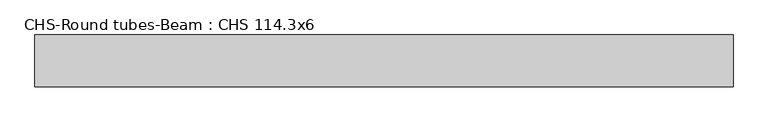
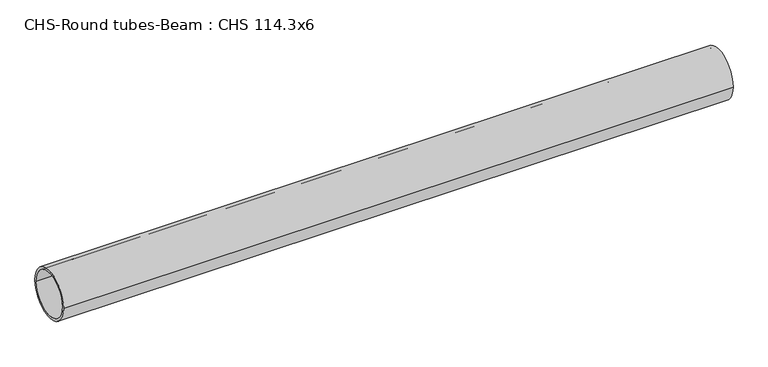
"""IFC4 building model written with IfcOpenShell, lengths in millimetres: beam geometry, CHS-Round tubes-Beam : CHS 114.3x6."""

import ifcopenshell
import ifcopenshell.guid

model = None  # the IFC model being written
_history = None  # IfcOwnerHistory: only IFC2X3 demands one
_inside = {}  # id of a spatial element -> (the spatial element, [elements in it])
_under = {}  # id of a project, library or spatial element -> (it, [spatial elements below it])
_declared = {}  # id of a project -> (the project, [libraries it declares])
_typed = {}  # id of a type object -> (the type object, [elements of that type])
_made_of = {}  # id of a material, layer set ... -> (it, [elements and type objects made of it])


def new_model(schema):
    """Start an empty IFC model of exactly this schema.

    Asked for "IFC4X3", IfcOpenShell would pick the latest addendum, in which some entities
    have other attributes; the version numbers below select the first issue.
    IFC2X3 requires an IfcOwnerHistory on every rooted entity: one is made here for all.
    """
    global model, _history
    if schema == "IFC4X3":
        model = ifcopenshell.file(schema_version=(4, 3, 0, 0))
    else:
        model = ifcopenshell.file(schema=schema)
    _inside.clear()
    _under.clear()
    _declared.clear()
    _typed.clear()
    _made_of.clear()
    _history = None
    if model.schema == "IFC2X3":
        org = make("IfcOrganization", Name="unknown")
        user = make(
            "IfcPersonAndOrganization",
            ThePerson=make("IfcPerson", FamilyName="unknown"),
            TheOrganization=org,
        )
        app = make(
            "IfcApplication",
            ApplicationDeveloper=org,
            Version="unknown",
            ApplicationFullName="unknown",
            ApplicationIdentifier="unknown",
        )
        _history = make(
            "IfcOwnerHistory",
            OwningUser=user,
            OwningApplication=app,
            ChangeAction="ADDED",
            CreationDate=0,
        )
    return model


def make(cls, **values):
    """One entity of the class cls with the attributes given. An attribute that is None is left unset."""
    return model.create_entity(
        cls, **{name: value for name, value in values.items() if value is not None}
    )


def rooted(cls, **values):
    """An entity with a GlobalId (a new one), such as an element, a storey or a relation."""
    return make(cls, GlobalId=ifcopenshell.guid.new(), OwnerHistory=_history, **values)


def si_unit(unit_type, name, prefix=None):
    """IfcSIUnit, for example si_unit("LENGTHUNIT", "METRE", prefix="MILLI")."""
    return make("IfcSIUnit", UnitType=unit_type, Prefix=prefix, Name=name)


def assignment(units):
    """IfcUnitAssignment: the units of a project."""
    return None if units is None else make("IfcUnitAssignment", Units=units)


def point(xyz):
    """IfcCartesianPoint."""
    return None if xyz is None else make("IfcCartesianPoint", Coordinates=xyz)


def direction(xyz):
    """IfcDirection."""
    return None if xyz is None else make("IfcDirection", DirectionRatios=xyz)


def frame(location, z_axis=None, x_axis=None):
    """IfcAxis2Placement3D, a coordinate frame: its origin and axes. An axis left out is left unset."""
    return make(
        "IfcAxis2Placement3D",
        Location=point(location),
        Axis=direction(z_axis),
        RefDirection=direction(x_axis),
    )


def frame_2d(location, x_axis=None):
    """IfcAxis2Placement2D, a coordinate frame in the plane: its origin and x axis."""
    return make(
        "IfcAxis2Placement2D", Location=point(location), RefDirection=direction(x_axis)
    )


def origin():
    """The frame at (0, 0, 0) with its axes left unset."""
    return frame((0.0, 0.0, 0.0))


def origin_2d():
    """The frame at (0, 0) in the plane with its x axis left unset."""
    return frame_2d((0.0, 0.0))


def place(relative_to, where):
    """IfcLocalPlacement: puts the frame where relative to a parent placement (None: the world)."""
    return make(
        "IfcLocalPlacement", PlacementRelTo=relative_to, RelativePlacement=where
    )


def context(
    kind, dimensions, precision=None, world=None, true_north=None, identifier=None
):
    """IfcGeometricRepresentationContext, for example the 3D "Model" context."""
    return make(
        "IfcGeometricRepresentationContext",
        ContextIdentifier=identifier,
        ContextType=kind,
        CoordinateSpaceDimension=dimensions,
        Precision=precision,
        WorldCoordinateSystem=world,
        TrueNorth=true_north,
    )


def project(units=None, contexts=None):
    """IfcProject with its units and contexts."""
    return rooted(
        "IfcProject",
        Name="project",
        RepresentationContexts=contexts,
        UnitsInContext=assignment(units),
    )


def spatial(cls, under=None, at=None, **own):
    """A site, building, storey or space (cls), placed at a placement, below another one or the project."""
    s = rooted(cls, ObjectPlacement=at, **own)
    if under is not None:
        _under.setdefault(under.id(), (under, []))[1].append(s)
    return s


def circle_curve(where, radius):
    """IfcCircle in the frame where."""
    return make("IfcCircle", Position=where, Radius=radius)


def trimmed(basis, trim1, trim2, sense, master):
    """IfcTrimmedCurve: the piece of a basis curve between two trims."""
    return make(
        "IfcTrimmedCurve",
        BasisCurve=basis,
        Trim1=trim1,
        Trim2=trim2,
        SenseAgreement=sense,
        MasterRepresentation=master,
    )


def segment(curve, same_sense, transition):
    """IfcCompositeCurveSegment."""
    return make(
        "IfcCompositeCurveSegment",
        Transition=transition,
        SameSense=same_sense,
        ParentCurve=curve,
    )


def composite_curve(segments, self_intersect=None):
    """IfcCompositeCurve: segments joined end to end."""
    return make("IfcCompositeCurve", Segments=segments, SelfIntersect=self_intersect)


def outline(outer, holes=None, kind="AREA"):
    """IfcArbitraryClosedProfileDef: a profile drawn as a closed curve; with holes, ...WithVoids."""
    if holes is None:
        return make("IfcArbitraryClosedProfileDef", ProfileType=kind, OuterCurve=outer)
    return make(
        "IfcArbitraryProfileDefWithVoids",
        ProfileType=kind,
        OuterCurve=outer,
        InnerCurves=holes,
    )


def extrude(swept, where, along, depth):
    """IfcExtrudedAreaSolid: the profile swept, set in the frame where, extruded along a direction by depth."""
    return make(
        "IfcExtrudedAreaSolid",
        SweptArea=swept,
        Position=where,
        ExtrudedDirection=direction(along),
        Depth=depth,
    )


def shape(context_of_items, identifier, shape_type, items):
    """IfcShapeRepresentation: the items that make up one representation, for example the "Body"."""
    return make(
        "IfcShapeRepresentation",
        ContextOfItems=context_of_items,
        RepresentationIdentifier=identifier,
        RepresentationType=shape_type,
        Items=items,
    )


def source(mapping_origin, context_of_items, identifier, shape_type, items):
    """IfcRepresentationMap: a shape defined once, which mapped items show again and again."""
    return make(
        "IfcRepresentationMap",
        MappingOrigin=mapping_origin,
        MappedRepresentation=shape(context_of_items, identifier, shape_type, items),
    )


def transform(
    local_origin,
    x_axis=None,
    y_axis=None,
    z_axis=None,
    scale=None,
    scale2=None,
    scale3=None,
    uniform=True,
):
    """IfcCartesianTransformationOperator3D, or its non-uniform kind. x_axis, y_axis, z_axis: its Axis1, 2, 3."""
    if uniform:
        return make(
            "IfcCartesianTransformationOperator3D",
            Axis1=direction(x_axis),
            Axis2=direction(y_axis),
            LocalOrigin=point(local_origin),
            Scale=scale,
            Axis3=direction(z_axis),
        )
    return make(
        "IfcCartesianTransformationOperator3DnonUniform",
        Axis1=direction(x_axis),
        Axis2=direction(y_axis),
        LocalOrigin=point(local_origin),
        Scale=scale,
        Axis3=direction(z_axis),
        Scale2=scale2,
        Scale3=scale3,
    )


def mapped(mapping_source, mapping_target):
    """IfcMappedItem: shows the shape of a source again, moved by a transform."""
    return make(
        "IfcMappedItem", MappingSource=mapping_source, MappingTarget=mapping_target
    )


def made_of(thing, what):
    """Note that an element or type object is made of a material, layer set ...; save() writes the relation."""
    if what is not None:
        _made_of.setdefault(what.id(), (what, []))[1].append(thing)
    return thing


def element(
    cls,
    number,
    at=None,
    inside=None,
    cuts=None,
    type_object=None,
    material=None,
    context=None,
    identifier="Body",
    shape_type=None,
    held_by="IfcProductDefinitionShape",
    body=None,
    shapes=None,
    **own,
):
    """One element of the class cls, such as IfcWall. Its Tag is "e" and its number.

    at: its placement. inside: the storey or other place that contains it. cuts: it is an
    opening in that element (IfcRelVoidsElement). A single representation is given by context,
    identifier, shape_type and body (its items); several are given by shapes. held_by: the class
    of the entity that holds the representations. save() writes the other relations.
    """
    e = rooted(cls, Tag="e%d" % number, ObjectPlacement=at, **own)
    if body is not None:
        shapes = [shape(context, identifier, shape_type, body)]
    if shapes is not None:
        e.Representation = make(held_by, Representations=shapes)
    if inside is not None:
        _inside.setdefault(inside.id(), (inside, []))[1].append(e)
    if cuts is not None:
        rooted(
            "IfcRelVoidsElement", RelatingBuildingElement=cuts, RelatedOpeningElement=e
        )
    if type_object is not None:
        _typed.setdefault(type_object.id(), (type_object, []))[1].append(e)
    return made_of(e, material)


def aggregate(whole, parts):
    """IfcRelAggregates: a whole, such as a stair, and the parts it consists of."""
    return rooted("IfcRelAggregates", RelatingObject=whole, RelatedObjects=parts)


def save(model, path):
    """Write the relations noted so far, then the file.

    IfcRelAggregates (storeys below a building ...), IfcRelContainedInSpatialStructure (elements
    in a storey), IfcRelDefinesByType, IfcRelAssociatesMaterial and IfcRelDeclares: one each for
    every whole, place, type object, material and project.
    """
    for whole, parts in _under.values():
        aggregate(whole, parts)
    for where, things in _inside.values():
        rooted(
            "IfcRelContainedInSpatialStructure",
            RelatedElements=things,
            RelatingStructure=where,
        )
    for kind, things in _typed.values():
        rooted("IfcRelDefinesByType", RelatedObjects=things, RelatingType=kind)
    for what, things in _made_of.values():
        rooted("IfcRelAssociatesMaterial", RelatedObjects=things, RelatingMaterial=what)
    for by, libraries in _declared.values():
        rooted("IfcRelDeclares", RelatingContext=by, RelatedDefinitions=libraries)
    model.write(path)


def chs_round_tubes_beam_chs_114_3x6_c2a9d3fa(model_context):
    return source(origin(), model_context, "Body", "SweptSolid", [
        extrude(outline(composite_curve([segment(trimmed(circle_curve(origin_2d(), 57.15), [point((57.15, 0.0))], [point((-57.15, 0.0))], False, "CARTESIAN"), True, "CONTINUOUS"), segment(trimmed(circle_curve(origin_2d(), 57.15), [point((-57.15, 0.0))], [point((57.15, 0.0))], False, "CARTESIAN"), True, "CONTINUOUS")], self_intersect=False), holes=[composite_curve([segment(trimmed(circle_curve(origin_2d(), 51.15), [point((51.15, 0.0))], [point((-51.15, 0.0))], True, "CARTESIAN"), True, "CONTINUOUS"), segment(trimmed(circle_curve(origin_2d(), 51.15), [point((-51.15, 0.0))], [point((51.15, 0.0))], True, "CARTESIAN"), True, "CONTINUOUS")], self_intersect=False)]), frame((-763.2447657, 0.0, 0.0), z_axis=(1.0, 0.0, 0.0), x_axis=(0.0, 1.0, 0.0)), (0.0, 0.0, 1.0), 1534.9962735),
    ])


if __name__ == "__main__":
    model = new_model("IFC4")
    model_context = context("Model", 3, world=origin())
    ifc_project = project(units=[si_unit("LENGTHUNIT", "METRE", prefix="MILLI")], contexts=[model_context])
    site = spatial("IfcSite", under=ifc_project)
    building = spatial("IfcBuilding", under=site)
    placement = place(None, origin())
    chs_round_tubes_beam_chs_114_3x6_shape = chs_round_tubes_beam_chs_114_3x6_c2a9d3fa(model_context)
    element("IfcBeam", 1, ObjectType="CHS-Round tubes-Beam : CHS 114.3x6", at=placement, inside=building, context=model_context, shape_type="MappedRepresentation", body=[
        mapped(chs_round_tubes_beam_chs_114_3x6_shape, transform((0.0, 0.0, 0.0), x_axis=(1.0, 0.0, 0.0), y_axis=(0.0, 1.0, 0.0), z_axis=(0.0, 0.0, 1.0))),
    ])
    save(model, "model.ifc")
